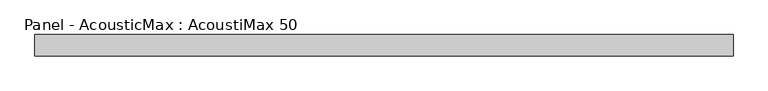
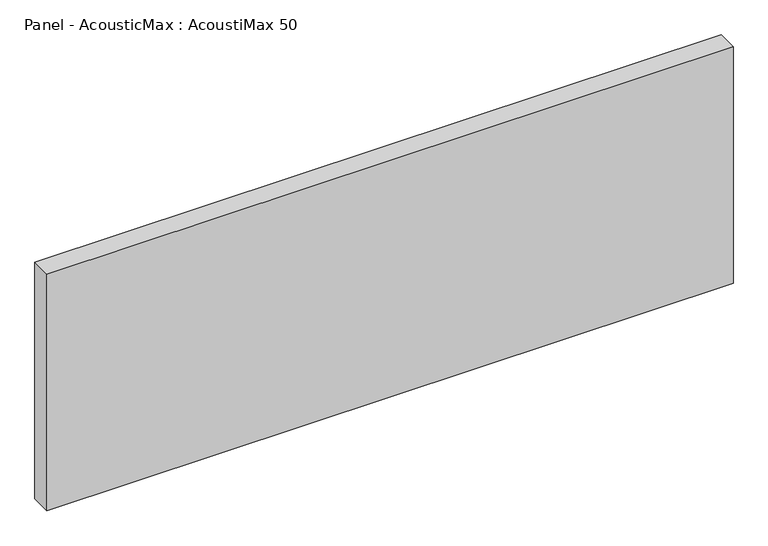
"""IFC4 building model written with IfcOpenShell, lengths in millimetres: plate geometry, Panel - AcousticMax : AcoustiMax 50."""

from ifc_helpers import new_model, si_unit, origin, origin_with_axes, place, context, project, spatial, polyline, outline, extrude, source, transform, mapped, element, save


def panel_acousticmax_acoustimax_50_23d84f62(model_context):
    return source(origin(), model_context, "Body", "SweptSolid", [
        extrude(outline(polyline([(823.2220996, -25.0), (-822.7220996, -25.0), (-822.7220996, 25.0), (823.2220996, 25.0), (823.2220996, -25.0)])), origin_with_axes(), (0.0, 0.0, 1.0), 600.0),
    ])


if __name__ == "__main__":
    model = new_model("IFC4")
    model_context = context("Model", 3, world=origin())
    ifc_project = project(units=[si_unit("LENGTHUNIT", "METRE", prefix="MILLI")], contexts=[model_context])
    site = spatial("IfcSite", under=ifc_project)
    building = spatial("IfcBuilding", under=site)
    placement = place(None, origin())
    panel_acousticmax_acoustimax_50_shape = panel_acousticmax_acoustimax_50_23d84f62(model_context)
    element("IfcPlate", 1, ObjectType="Panel - AcousticMax : AcoustiMax 50", at=placement, inside=building, context=model_context, shape_type="MappedRepresentation", body=[
        mapped(panel_acousticmax_acoustimax_50_shape, transform((0.0, 0.0, 0.0), x_axis=(1.0, 0.0, 0.0), y_axis=(0.0, 1.0, 0.0), z_axis=(0.0, 0.0, 1.0))),
    ])
    save(model, "model.ifc")
